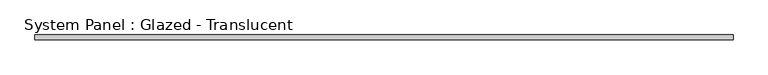
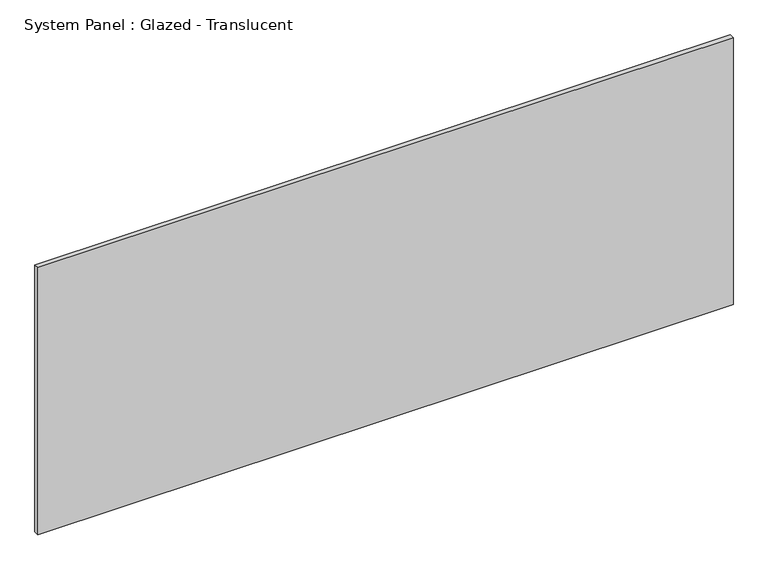
"""IFC4 building model written with IfcOpenShell, lengths in millimetres: plate geometry, System Panel : Glazed - Translucent."""

from ifc_helpers import new_model, si_unit, origin, origin_with_axes, place, context, project, spatial, polyline, outline, extrude, source, transform, mapped, element, save


def system_panel_glazed_translucent_179efb7d(model_context):
    return source(origin(), model_context, "Body", "SweptSolid", [
        extrude(outline(polyline([(1797.05, -44.45), (-1797.05, -44.45), (-1797.05, -19.05), (1797.05, -19.05), (1797.05, -44.45)])), origin_with_axes(), (0.0, 0.0, 1.0), 1460.5),
    ])


if __name__ == "__main__":
    model = new_model("IFC4")
    model_context = context("Model", 3, world=origin())
    ifc_project = project(units=[si_unit("LENGTHUNIT", "METRE", prefix="MILLI")], contexts=[model_context])
    site = spatial("IfcSite", under=ifc_project)
    building = spatial("IfcBuilding", under=site)
    placement = place(None, origin())
    system_panel_glazed_translucent_shape = system_panel_glazed_translucent_179efb7d(model_context)
    element("IfcPlate", 1, ObjectType="System Panel : Glazed - Translucent", at=placement, inside=building, context=model_context, shape_type="MappedRepresentation", body=[
        mapped(system_panel_glazed_translucent_shape, transform((0.0, 0.0, 0.0), x_axis=(1.0, 0.0, 0.0), y_axis=(0.0, 1.0, 0.0), z_axis=(0.0, 0.0, 1.0))),
    ])
    save(model, "model.ifc")
